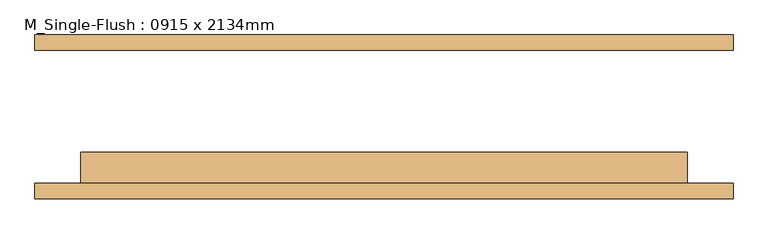
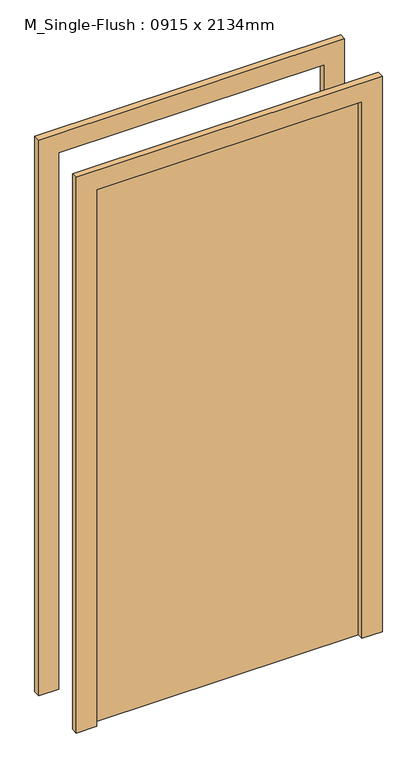
"""IFC4 building model written with IfcOpenShell, lengths in millimetres: door geometry, M_Single-Flush : 0915 x 2134mm."""

from ifc_helpers import new_model, si_unit, frame, origin, origin_with_axes, place, context, project, spatial, polyline, outline, extrude, source, transform, mapped, element, save


def m_single_flush_0915_x_2134mm_1fa5162a(model_context):
    return source(origin(), model_context, "Body", "SweptSolid", [
        extrude(outline(polyline([(2210.0, -576.0), (0.0, -576.0), (0.0, -500.0), (2134.0, -500.0), (2134.0, 500.0), (0.0, 500.0), (0.0, 576.0), (2210.0, 576.0), (2210.0, -576.0)])), frame((0.0, -135.0, 0.0), z_axis=(0.0, 1.0, 0.0), x_axis=(0.0, 0.0, 1.0)), (0.0, 0.0, 1.0), 25.0),
        extrude(outline(polyline([(2210.0, 576.0), (2210.0, -576.0), (0.0, -576.0), (0.0, -500.0), (2134.0, -500.0), (2134.0, 500.0), (0.0, 500.0), (0.0, 576.0), (2210.0, 576.0)])), frame((0.0, 110.0, 0.0), z_axis=(0.0, 1.0, 0.0), x_axis=(0.0, 0.0, 1.0)), (0.0, 0.0, 1.0), 25.0),
        extrude(outline(polyline([(500.0, -59.0), (500.0, -110.0), (-500.0, -110.0), (-500.0, -59.0), (500.0, -59.0)])), origin_with_axes(), (0.0, 0.0, 1.0), 2134.0),
    ])


if __name__ == "__main__":
    model = new_model("IFC4")
    model_context = context("Model", 3, world=origin())
    ifc_project = project(units=[si_unit("LENGTHUNIT", "METRE", prefix="MILLI")], contexts=[model_context])
    site = spatial("IfcSite", under=ifc_project)
    building = spatial("IfcBuilding", under=site)
    placement = place(None, origin())
    m_single_flush_0915_x_2134mm_shape = m_single_flush_0915_x_2134mm_1fa5162a(model_context)
    element("IfcDoor", 1, ObjectType="M_Single-Flush : 0915 x 2134mm", at=placement, inside=building, context=model_context, shape_type="MappedRepresentation", body=[
        mapped(m_single_flush_0915_x_2134mm_shape, transform((0.0, 0.0, 0.0), x_axis=(1.0, 0.0, 0.0), y_axis=(0.0, 1.0, 0.0), z_axis=(0.0, 0.0, 1.0))),
    ])
    save(model, "model.ifc")
